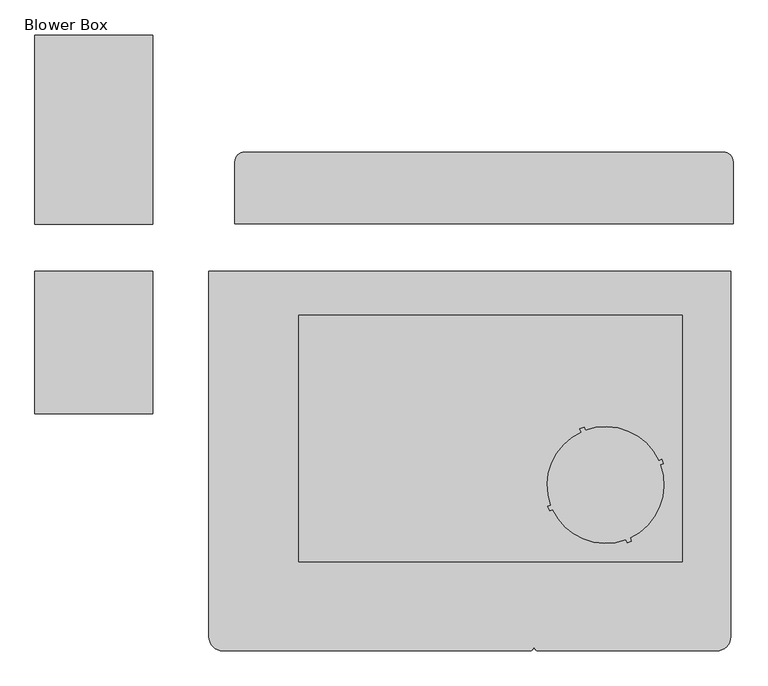
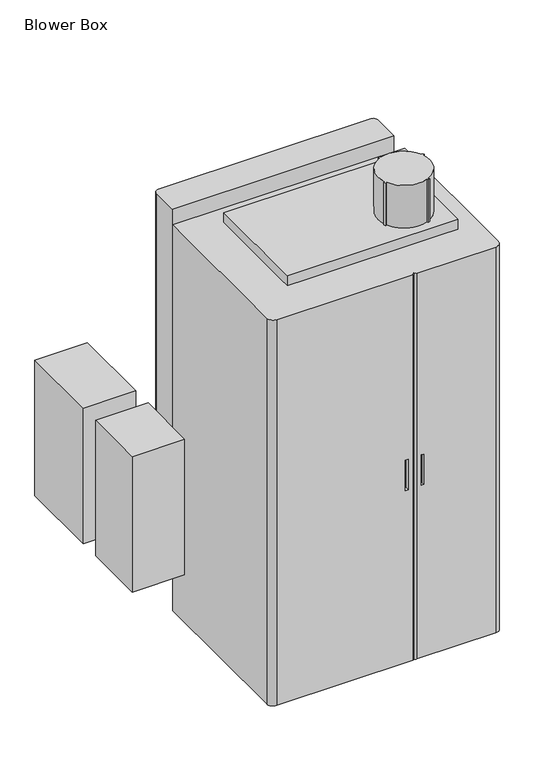
"""IFC4 building model written with IfcOpenShell, lengths in millimetres: proxy geometry, Blower Box."""

from ifc_helpers import new_model, si_unit, point, frame, frame_2d, origin, place, context, project, spatial, polyline, circle_curve, trimmed, segment, composite_curve, outline, extrude, source, transform, mapped, element, save
from ifc_brep_helpers import plane_surface, cylinder_surface, advanced_brep


def blower_box_472ded38(model_context):
    return source(origin(), model_context, "Body", "SolidModel", [
        advanced_brep(
        [(74.8285816, 251.4976528, 1935.48), (54.8286216, 231.4976928, 1935.48), (54.8286216, 99.9998, 1935.48), (1104.8265216, 99.9998, 1935.48), (1104.8265216, 231.4976928, 1935.48), (1084.8265616, 251.4976528, 1935.48), (74.8285816, 251.4976528, 170.0), (1084.8265616, 251.4976528, 170.0), (1104.8265216, 231.4976928, 170.0), (1104.8265216, 99.9998, 170.0), (54.8286216, 99.9998, 170.0), (54.8286216, 231.4976928, 170.0), (986.2275716, 251.4976528, 1322.5287256), (783.0275716, 251.4976528, 1322.5287256), (783.0275716, 251.4976528, 1271.7287256), (986.2275716, 251.4976528, 1271.7287256), (376.6275716, 251.4976528, 1271.7287256), (376.6275716, 251.4976528, 1322.5287256), (173.4275716, 251.4976528, 1322.5287256), (173.4275716, 251.4976528, 1271.7287256), (783.0275716, 217.4837838, 1322.5287256), (986.2275716, 217.4837838, 1322.5287256), (986.2275716, 217.4837838, 1271.7287256), (783.0275716, 217.4837838, 1271.7287256), (376.6275716, 217.4837838, 1322.5287256), (376.6275716, 217.4837838, 1271.7287256), (173.4275716, 217.4837838, 1271.7287256), (173.4275716, 217.4837838, 1322.5287256)],
        [
            (0, 1, circle_curve(frame((74.8285816, 231.4976928, 1935.48), z_axis=(0.0, 0.0, 1.0), x_axis=(0.0, 1.0, 0.0)), 19.99996)),
            (1, 2),
            (2, 3),
            (3, 4),
            (4, 5, circle_curve(frame((1084.8265616, 231.4976928, 1935.48), z_axis=(0.0, 0.0, 1.0), x_axis=(1.0, 0.0, 0.0)), 19.99996)),
            (5, 0),
            (6, 7),
            (7, 8, circle_curve(frame((1084.8265616, 231.4976928, 170.0), z_axis=(0.0, 0.0, -1.0), x_axis=(1.0, 0.0, 0.0)), 19.99996)),
            (8, 9),
            (9, 10),
            (10, 11),
            (11, 6, circle_curve(frame((74.8285816, 231.4976928, 170.0), z_axis=(0.0, 0.0, -1.0), x_axis=(0.0, 1.0, 0.0)), 19.99996)),
            (0, 6),
            (11, 1),
            (10, 2),
            (9, 3),
            (8, 4),
            (7, 5),
            (12, 13),
            (13, 14),
            (14, 15),
            (15, 12),
            (16, 17),
            (17, 18),
            (18, 19),
            (19, 16),
            (20, 21),
            (21, 22),
            (22, 23),
            (23, 20),
            (24, 25),
            (25, 26),
            (26, 27),
            (27, 24),
            (20, 13),
            (12, 21),
            (15, 22),
            (14, 23),
            (24, 17),
            (16, 25),
            (19, 26),
            (18, 27),
        ],
        [
            plane_surface(frame((74.8285816, 251.4976528, 1935.48), z_axis=(0.0, 0.0, 1.0), x_axis=(-1.0, 0.0, 0.0))),
            plane_surface(frame((74.8285816, 251.4976528, 170.0), z_axis=(0.0, 0.0, -1.0), x_axis=(1.0, 0.0, 0.0))),
            cylinder_surface(frame((74.8285816, 231.4976928, 170.0), z_axis=(0.0, 0.0, 1.0), x_axis=(0.0, 1.0, 0.0)), 19.99996),
            plane_surface(frame((54.8286216, 231.4976928, 1935.48), z_axis=(-1.0, 0.0, 0.0), x_axis=(0.0, 0.0, -1.0))),
            plane_surface(frame((54.8286216, 99.9998, 1935.48), z_axis=(0.0, -1.0, 0.0), x_axis=(0.0, 0.0, -1.0))),
            plane_surface(frame((1104.8265216, 99.9998, 1935.48), z_axis=(1.0, 0.0, 0.0), x_axis=(0.0, 0.0, -1.0))),
            cylinder_surface(frame((1084.8265616, 231.4976928, 170.0), z_axis=(0.0, 0.0, 1.0), x_axis=(1.0, 0.0, 0.0)), 19.99996),
            plane_surface(frame((1084.8265616, 251.4976528, 1935.48), z_axis=(0.0, 1.0, 0.0), x_axis=(0.0, 0.0, -1.0))),
            plane_surface(frame((986.2275716, 217.4837838, 1322.5287256), z_axis=(0.0, 1.0, 0.0), x_axis=(-1.0, 0.0, 0.0))),
            plane_surface(frame((783.0275716, 556.2976528, 1322.5287256), z_axis=(0.0, 0.0, -1.0), x_axis=(0.0, -1.0, 0.0))),
            plane_surface(frame((986.2275716, 556.2976528, 1322.5287256), z_axis=(-1.0, 0.0, 0.0), x_axis=(0.0, -1.0, 0.0))),
            plane_surface(frame((986.2275716, 556.2976528, 1271.7287256), z_axis=(0.0, 0.0, 1.0), x_axis=(0.0, -1.0, 0.0))),
            plane_surface(frame((783.0275716, 556.2976528, 1271.7287256), z_axis=(1.0, 0.0, 0.0), x_axis=(0.0, -1.0, 0.0))),
            plane_surface(frame((376.6275716, 556.2976528, 1322.5287256), z_axis=(-1.0, 0.0, 0.0), x_axis=(0.0, -1.0, 0.0))),
            plane_surface(frame((376.6275716, 556.2976528, 1271.7287256), z_axis=(0.0, 0.0, 1.0), x_axis=(0.0, -1.0, 0.0))),
            plane_surface(frame((173.4275716, 556.2976528, 1271.7287256), z_axis=(1.0, 0.0, 0.0), x_axis=(0.0, -1.0, 0.0))),
            plane_surface(frame((173.4275716, 556.2976528, 1322.5287256), z_axis=(0.0, 0.0, -1.0), x_axis=(0.0, -1.0, 0.0))),
        ],
        [
            (0, [[1, 2, 3, 4, 5, 6]]),
            (1, [[7, 8, 9, 10, 11, 12]]),
            (2, [[-1, 13, -12, 14]]),
            (3, [[-2, -14, -11, 15]]),
            (4, [[-3, -15, -10, 16]]),
            (5, [[-4, -16, -9, 17]]),
            (6, [[-5, -17, -8, 18]]),
            (7, [[-6, -18, -7, -13], [19, 20, 21, 22], [23, 24, 25, 26]]),
            (8, [[27, 28, 29, 30]]),
            (8, [[31, 32, 33, 34]]),
            (9, [[-27, 35, -19, 36]]),
            (10, [[-28, -36, -22, 37]]),
            (11, [[-29, -37, -21, 38]]),
            (12, [[-30, -38, -20, -35]]),
            (13, [[-31, 39, -23, 40]]),
            (14, [[-32, -40, -26, 41]]),
            (15, [[-33, -41, -25, 42]]),
            (16, [[-34, -42, -24, -39]]),
        ],
    ),
        extrude(outline(polyline([(-117.9717287, 498.440351), (-117.9717287, 99.9998), (-366.8917288, 99.9998), (-366.8917288, 498.440351), (-117.9717287, 498.440351)])), frame((0.0, 0.0, 404.0), z_axis=(0.0, 0.0, 1.0), x_axis=(1.0, 0.0, 0.0)), (0.0, 0.0, 1.0), 680.0),
        advanced_brep(
        [(654.6114333, -780.9484, 1016.0), (654.6114333, -799.9984, 1016.0), (641.9114333, -799.9984, 1016.0), (641.9114333, -787.2984, 1016.0), (629.2114333, -787.2984, 1016.0), (629.2114333, -780.9484, 1016.0), (654.6114333, -780.9484, 863.6), (629.2114333, -780.9484, 863.6), (629.2114333, -787.2984, 863.6), (641.9114333, -787.2984, 863.6), (641.9114333, -799.9984, 863.6), (654.6114333, -799.9984, 863.6), (715.9621509, -780.9484, 1016.0), (741.3621509, -780.9484, 1016.0), (741.3621509, -787.2984, 1016.0), (728.6621509, -787.2984, 1016.0), (728.6621509, -799.9984, 1016.0), (715.9621509, -799.9984, 1016.0), (715.9621509, -780.9484, 863.6), (715.9621509, -799.9984, 863.6), (728.6621509, -799.9984, 863.6), (728.6621509, -787.2984, 863.6), (741.3621509, -787.2984, 863.6), (741.3621509, -780.9484, 863.6), (1099.8178004, 0.0, 1935.48), (0.0, 0.0, 1935.48), (0.0, -770.003356, 1935.48), (29.995044, -799.9984, 1935.48), (675.2884441, -799.9984, 1935.48), (685.2867921, -790.000052, 1935.48), (695.2851401, -799.9984, 1935.48), (1069.8227564, -799.9984, 1935.48), (1099.8178004, -770.003356, 1935.48), (1099.8178004, 0.0, 0.0), (1099.8178004, -770.003356, 0.0), (1069.8227564, -799.9984, 0.0), (695.2851401, -799.9984, 0.0), (685.2867921, -790.000052, 0.0), (675.2884441, -799.9984, 0.0), (29.995044, -799.9984, 0.0), (0.0, -770.003356, 0.0), (0.0, 0.0, 0.0)],
        [
            (0, 1),
            (1, 2),
            (2, 3),
            (3, 4),
            (4, 5),
            (5, 0),
            (6, 7),
            (7, 8),
            (8, 9),
            (9, 10),
            (10, 11),
            (11, 6),
            (5, 7),
            (6, 0),
            (4, 8),
            (3, 9),
            (2, 10),
            (11, 1),
            (12, 13),
            (13, 14),
            (14, 15),
            (15, 16),
            (16, 17),
            (17, 12),
            (18, 19),
            (19, 20),
            (20, 21),
            (21, 22),
            (22, 23),
            (23, 18),
            (12, 18),
            (23, 13),
            (22, 14),
            (21, 15),
            (20, 16),
            (17, 19),
            (24, 25),
            (25, 26),
            (26, 27, circle_curve(frame((29.995044, -770.003356, 1935.48), z_axis=(0.0, 0.0, 1.0), x_axis=(-1.0, 0.0, 0.0)), 29.995044)),
            (27, 28),
            (28, 29, circle_curve(frame((675.2884441, -790.000052, 1935.48), z_axis=(0.0, 0.0, 1.0), x_axis=(0.0, -1.0, 0.0)), 9.998348)),
            (29, 30, circle_curve(frame((695.2851401, -790.000052, 1935.48), z_axis=(0.0, 0.0, 1.0), x_axis=(-1.0, 0.0, 0.0)), 9.998348)),
            (30, 31),
            (31, 32, circle_curve(frame((1069.8227564, -770.003356, 1935.48), z_axis=(0.0, 0.0, 1.0), x_axis=(0.0, -1.0, 0.0)), 29.995044)),
            (32, 24),
            (33, 34),
            (34, 35, circle_curve(frame((1069.8227564, -770.003356, 0.0), z_axis=(0.0, 0.0, -1.0), x_axis=(0.0, -1.0, 0.0)), 29.995044)),
            (35, 36),
            (36, 37, circle_curve(frame((695.2851401, -790.000052, 0.0), z_axis=(0.0, 0.0, -1.0), x_axis=(-1.0, 0.0, 0.0)), 9.998348)),
            (37, 38, circle_curve(frame((675.2884441, -790.000052, 0.0), z_axis=(0.0, 0.0, -1.0), x_axis=(0.0, -1.0, 0.0)), 9.998348)),
            (38, 39),
            (39, 40, circle_curve(frame((29.995044, -770.003356, 0.0), z_axis=(0.0, 0.0, -1.0), x_axis=(-1.0, 0.0, 0.0)), 29.995044)),
            (40, 41),
            (41, 33),
            (24, 33),
            (41, 25),
            (40, 26),
            (39, 27),
            (38, 28),
            (37, 29),
            (36, 30),
            (35, 31),
            (34, 32),
        ],
        [
            plane_surface(frame((629.2114333, -780.9484, 1016.0), z_axis=(0.0, 0.0, -1.0), x_axis=(-1.0, 0.0, 0.0))),
            plane_surface(frame((629.2114333, -780.9484, 863.6), z_axis=(0.0, 0.0, 1.0), x_axis=(1.0, 0.0, 0.0))),
            plane_surface(frame((654.6114333, -780.9484, 1016.0), z_axis=(0.0, -1.0, 0.0), x_axis=(0.0, 0.0, -1.0))),
            plane_surface(frame((629.2114333, -780.9484, 1016.0), z_axis=(1.0, 0.0, 0.0), x_axis=(0.0, 0.0, -1.0))),
            plane_surface(frame((629.2114333, -787.2984, 1016.0), z_axis=(0.0, 1.0, 0.0), x_axis=(0.0, 0.0, -1.0))),
            plane_surface(frame((641.9114333, -787.2984, 1016.0), z_axis=(1.0, 0.0, 0.0), x_axis=(0.0, 0.0, -1.0))),
            plane_surface(frame((654.6114333, -799.9984, 1016.0), z_axis=(-1.0, 0.0, 0.0), x_axis=(0.0, 0.0, -1.0))),
            plane_surface(frame((715.9621509, -799.9984, 1016.0), z_axis=(0.0, 0.0, -1.0), x_axis=(0.0, -1.0, 0.0))),
            plane_surface(frame((715.9621509, -799.9984, 863.6), z_axis=(0.0, 0.0, 1.0), x_axis=(0.0, 1.0, 0.0))),
            plane_surface(frame((741.3621509, -780.9484, 1016.0), z_axis=(0.0, -1.0, 0.0), x_axis=(0.0, 0.0, -1.0))),
            plane_surface(frame((741.3621509, -787.2984, 1016.0), z_axis=(-1.0, 0.0, 0.0), x_axis=(0.0, 0.0, -1.0))),
            plane_surface(frame((728.6621509, -787.2984, 1016.0), z_axis=(0.0, 1.0, 0.0), x_axis=(0.0, 0.0, -1.0))),
            plane_surface(frame((728.6621509, -799.9984, 1016.0), z_axis=(-1.0, 0.0, 0.0), x_axis=(0.0, 0.0, -1.0))),
            plane_surface(frame((715.9621509, -780.9484, 1016.0), z_axis=(1.0, 0.0, 0.0), x_axis=(0.0, 0.0, -1.0))),
            plane_surface(frame((1099.8287313, 0.0, 1935.48), z_axis=(0.0, 0.0, 1.0), x_axis=(-1.0, 0.0, 0.0))),
            plane_surface(frame((1099.8287313, 0.0, 0.0), z_axis=(0.0, 0.0, -1.0), x_axis=(1.0, 0.0, 0.0))),
            plane_surface(frame((1099.8178004, 0.0, 1935.48), z_axis=(0.0, 1.0, 0.0), x_axis=(0.0, 0.0, -1.0))),
            plane_surface(frame((0.0, 0.0, 1935.48), z_axis=(-1.0, 0.0, 0.0), x_axis=(0.0, 0.0, -1.0))),
            cylinder_surface(frame((29.995044, -770.003356, 0.0), z_axis=(0.0, 0.0, 1.0), x_axis=(-1.0, 0.0, 0.0)), 29.995044),
            plane_surface(frame((29.995044, -799.9984, 1935.48), z_axis=(0.0, -1.0, 0.0), x_axis=(0.0, 0.0, -1.0))),
            cylinder_surface(frame((675.2884441, -790.000052, 0.0), z_axis=(0.0, 0.0, 1.0), x_axis=(0.0, -1.0, 0.0)), 9.998348),
            cylinder_surface(frame((695.2851401, -790.000052, 0.0), z_axis=(0.0, 0.0, 1.0), x_axis=(-1.0, 0.0, 0.0)), 9.998348),
            plane_surface(frame((695.2851401, -799.9984, 1935.48), z_axis=(0.0, -1.0, 0.0), x_axis=(0.0, 0.0, -1.0))),
            cylinder_surface(frame((1069.8227564, -770.003356, 0.0), z_axis=(0.0, 0.0, 1.0), x_axis=(0.0, -1.0, 0.0)), 29.995044),
            plane_surface(frame((1099.8178004, -770.003356, 1935.48), z_axis=(1.0, 0.0, 0.0), x_axis=(0.0, 0.0, -1.0))),
        ],
        [
            (0, [[1, 2, 3, 4, 5, 6]]),
            (1, [[7, 8, 9, 10, 11, 12]]),
            (2, [[-6, 13, -7, 14]]),
            (3, [[-5, 15, -8, -13]]),
            (4, [[-4, 16, -9, -15]]),
            (5, [[-3, 17, -10, -16]]),
            (6, [[-1, -14, -12, 18]]),
            (7, [[19, 20, 21, 22, 23, 24]]),
            (8, [[25, 26, 27, 28, 29, 30]]),
            (9, [[-19, 31, -30, 32]]),
            (10, [[-20, -32, -29, 33]]),
            (11, [[-21, -33, -28, 34]]),
            (12, [[-22, -34, -27, 35]]),
            (13, [[-24, 36, -25, -31]]),
            (14, [[37, 38, 39, 40, 41, 42, 43, 44, 45]]),
            (15, [[46, 47, 48, 49, 50, 51, 52, 53, 54]]),
            (16, [[-37, 55, -54, 56]]),
            (17, [[-38, -56, -53, 57]]),
            (18, [[-39, -57, -52, 58]]),
            (19, [[-40, -58, -51, 59], [-2, -18, -11, -17]]),
            (20, [[-41, -59, -50, 60]]),
            (21, [[-42, -60, -49, 61]]),
            (22, [[-43, -61, -48, 62], [-23, -35, -26, -36]]),
            (23, [[-44, -62, -47, 63]]),
            (24, [[-45, -63, -46, -55]]),
        ],
    ),
        extrude(outline(composite_curve([segment(trimmed(circle_curve(frame_2d((836.0813767, -450.3671154)), 122.9796804), [point((951.5189772, -407.9623727))], [point((887.7234363, -561.9784925))], False, "CARTESIAN"), True, "CONTINUOUS"), segment(polyline([(887.7234363, -561.9784925), (890.4406951, -568.538513), (881.2034214, -572.3647151), (878.4861645, -565.8046993)]), True, "CONTINUOUS"), segment(trimmed(circle_curve(frame_2d((836.0813767, -450.3671154)), 122.9796804), [point((878.4861645, -565.8046993))], [point((724.4699878, -502.0091493))], False, "CARTESIAN"), True, "CONTINUOUS"), segment(polyline([(724.4699878, -502.0091493), (717.9100019, -504.7263778), (714.083834, -495.4891091), (720.6437889, -492.7718924)]), True, "CONTINUOUS"), segment(trimmed(circle_curve(frame_2d((836.0813767, -450.3671154)), 122.9796804), [point((720.6437889, -492.7718924))], [point((784.4394021, -338.7556991))], False, "CARTESIAN"), True, "CONTINUOUS"), segment(polyline([(784.4394021, -338.7556991), (781.7221584, -332.1957206), (790.9594321, -328.3695128), (793.6766753, -334.9294999)]), True, "CONTINUOUS"), segment(trimmed(circle_curve(frame_2d((836.0813767, -450.3671154)), 122.9796804), [point((793.6766753, -334.9294999))], [point((947.6927833, -398.7251197))], False, "CARTESIAN"), True, "CONTINUOUS"), segment(polyline([(947.6927833, -398.7251197), (954.2527516, -396.0078571), (958.0790194, -405.2451208), (951.5189772, -407.9623727)]), True, "CONTINUOUS")], self_intersect=False)), frame((0.0, 0.0, 1935.48), z_axis=(0.0, 0.0, 1.0), x_axis=(1.0, 0.0, 0.0)), (0.0, 0.0, 1.0), 264.414),
        extrude(outline(polyline([(998.0546144, -92.4251271), (998.0546144, -612.3392193), (189.188261, -612.3392193), (189.188261, -92.4251271), (998.0546144, -92.4251271)])), frame((0.0, 0.0, 1935.48), z_axis=(0.0, 0.0, 1.0), x_axis=(1.0, 0.0, 0.0)), (0.0, 0.0, 1.0), 50.8),
        extrude(outline(polyline([(-117.9717287, -299.72), (-366.8917288, -299.72), (-366.8917288, 0.0), (-117.9717287, 0.0), (-117.9717287, -299.72)])), frame((0.0, 0.0, 404.0), z_axis=(0.0, 0.0, 1.0), x_axis=(1.0, 0.0, 0.0)), (0.0, 0.0, 1.0), 680.0),
    ])


if __name__ == "__main__":
    model = new_model("IFC4")
    model_context = context("Model", 3, world=origin())
    ifc_project = project(units=[si_unit("LENGTHUNIT", "METRE", prefix="MILLI")], contexts=[model_context])
    site = spatial("IfcSite", under=ifc_project)
    building = spatial("IfcBuilding", under=site)
    placement = place(None, origin())
    blower_box_shape = blower_box_472ded38(model_context)
    element("IfcBuildingElementProxy", 1, Name="Blower Box", ObjectType="Blower Box", at=placement, inside=building, context=model_context, shape_type="MappedRepresentation", body=[
        mapped(blower_box_shape, transform((0.0, 0.0, 0.0), x_axis=(1.0, 0.0, 0.0), y_axis=(0.0, 1.0, 0.0), z_axis=(0.0, 0.0, 1.0))),
    ])
    save(model, "model.ifc")
